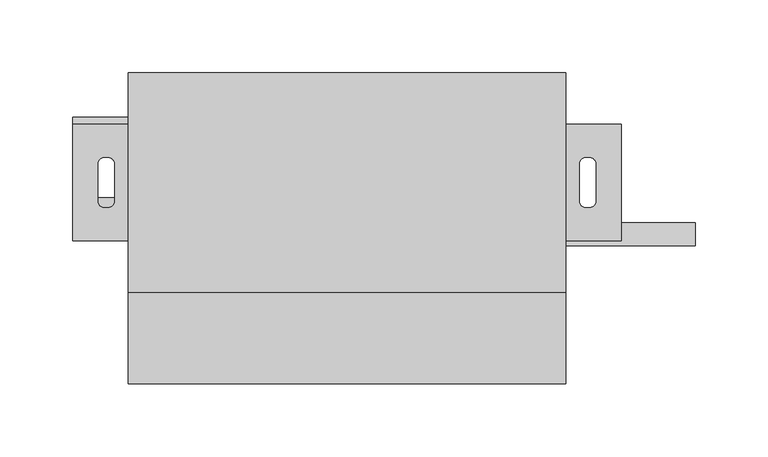
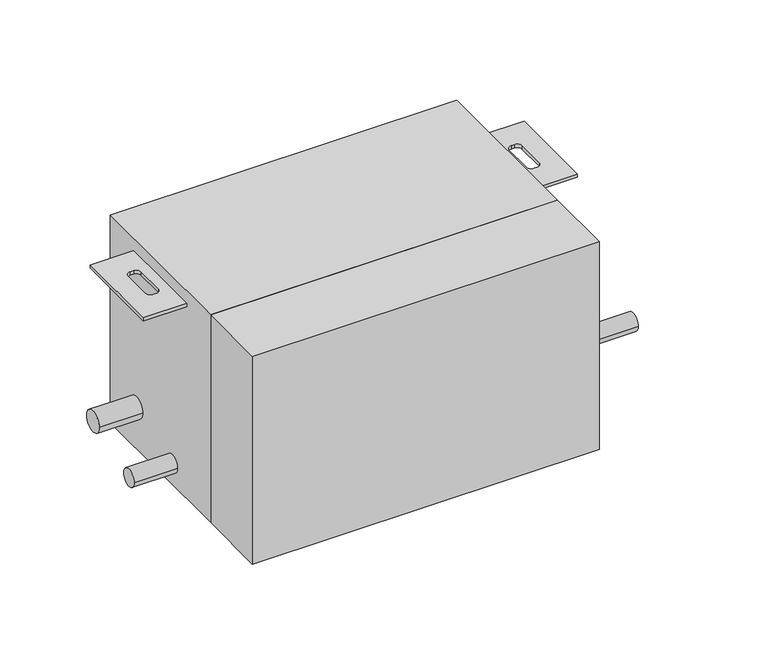
"""IFC4 building model written with IfcOpenShell, lengths in millimetres: proxy geometry."""

from ifc_helpers import new_model, si_unit, point, frame, frame_2d, origin, origin_with_axes, place, context, project, spatial, polyline, circle_curve, trimmed, segment, composite_curve, outline, extrude, source, transform, mapped, element, save


def mechanical_equipment_1cb17549(model_context):
    return source(origin(), model_context, "Body", "SweptSolid", [
        extrude(outline(polyline([(301.0, 75.5), (301.0, -75.5), (0.0, -75.5), (0.0, 75.5), (301.0, 75.5)])), origin_with_axes(), (0.0, 0.0, 1.0), 191.0),
        extrude(outline(polyline([(301.0, 40.0), (339.0, 40.0), (339.0, -40.0), (301.0, -40.0), (301.0, 40.0)]), holes=[composite_curve([segment(polyline([(317.5, 17.0), (314.5, 17.0)]), True, "CONTINUOUS"), segment(trimmed(circle_curve(frame_2d((314.5, 13.0)), 4.0), [point((314.5, 17.0))], [point((310.5, 13.0))], True, "CARTESIAN"), True, "CONTINUOUS"), segment(polyline([(310.5, 13.0), (310.5, -13.0)]), True, "CONTINUOUS"), segment(trimmed(circle_curve(frame_2d((314.5, -13.0)), 4.0), [point((310.5, -13.0))], [point((314.5, -17.0))], True, "CARTESIAN"), True, "CONTINUOUS"), segment(polyline([(314.5, -17.0), (317.5, -17.0)]), True, "CONTINUOUS"), segment(trimmed(circle_curve(frame_2d((317.5, -13.0)), 4.0), [point((317.5, -17.0))], [point((321.5, -13.0))], True, "CARTESIAN"), True, "CONTINUOUS"), segment(polyline([(321.5, -13.0), (321.5, 13.0)]), True, "CONTINUOUS"), segment(trimmed(circle_curve(frame_2d((317.5, 13.0)), 4.0), [point((321.5, 13.0))], [point((317.5, 17.0))], True, "CARTESIAN"), True, "CONTINUOUS")], self_intersect=False)]), frame((0.0, 0.0, 177.0), z_axis=(0.0, 0.0, 1.0), x_axis=(1.0, 0.0, 0.0)), (0.0, 0.0, 1.0), 3.0),
        extrude(outline(polyline([(-38.0, 40.0), (0.0, 40.0), (0.0, -40.0), (-38.0, -40.0), (-38.0, 40.0)]), holes=[composite_curve([segment(trimmed(circle_curve(frame_2d((-16.5, 13.0)), 4.0), [point((-16.5, 17.0))], [point((-20.5, 13.0))], True, "CARTESIAN"), True, "CONTINUOUS"), segment(polyline([(-20.5, 13.0), (-20.5, -13.0)]), True, "CONTINUOUS"), segment(trimmed(circle_curve(frame_2d((-16.5, -13.0)), 4.0), [point((-20.5, -13.0))], [point((-16.5, -17.0))], True, "CARTESIAN"), True, "CONTINUOUS"), segment(polyline([(-16.5, -17.0), (-13.5, -17.0)]), True, "CONTINUOUS"), segment(trimmed(circle_curve(frame_2d((-13.5, -13.0)), 4.0), [point((-13.5, -17.0))], [point((-9.5, -13.0))], True, "CARTESIAN"), True, "CONTINUOUS"), segment(polyline([(-9.5, -13.0), (-9.5, 13.0)]), True, "CONTINUOUS"), segment(trimmed(circle_curve(frame_2d((-13.5, 13.0)), 4.0), [point((-9.5, 13.0))], [point((-13.5, 17.0))], True, "CARTESIAN"), True, "CONTINUOUS"), segment(polyline([(-13.5, 17.0), (-16.5, 17.0)]), True, "CONTINUOUS")], self_intersect=False)]), frame((0.0, 0.0, 177.0), z_axis=(0.0, 0.0, 1.0), x_axis=(1.0, 0.0, 0.0)), (0.0, 0.0, 1.0), 3.0),
        extrude(outline(composite_curve([segment(trimmed(circle_curve(frame_2d((35.5, 39.0)), 9.525), [point((25.975, 39.0))], [point((45.025, 39.0))], False, "CARTESIAN"), True, "CONTINUOUS"), segment(trimmed(circle_curve(frame_2d((35.5, 39.0)), 9.525), [point((45.025, 39.0))], [point((25.975, 39.0))], False, "CARTESIAN"), True, "CONTINUOUS")], self_intersect=False)), frame((-38.0, 0.0, 0.0), z_axis=(1.0, 0.0, 0.0), x_axis=(0.0, 1.0, 0.0)), (0.0, 0.0, 1.0), 38.0),
        extrude(outline(composite_curve([segment(trimmed(circle_curve(frame_2d((-18.5, 20.0)), 7.94), [point((-26.44, 20.0))], [point((-10.56, 20.0))], False, "CARTESIAN"), True, "CONTINUOUS"), segment(trimmed(circle_curve(frame_2d((-18.5, 20.0)), 7.94), [point((-10.56, 20.0))], [point((-26.44, 20.0))], False, "CARTESIAN"), True, "CONTINUOUS")], self_intersect=False)), frame((-38.0, 0.0, 0.0), z_axis=(1.0, 0.0, 0.0), x_axis=(0.0, 1.0, 0.0)), (0.0, 0.0, 1.0), 38.0),
        extrude(outline(composite_curve([segment(trimmed(circle_curve(frame_2d((-35.5, 24.0)), 7.94), [point((-43.44, 24.0))], [point((-27.56, 24.0))], False, "CARTESIAN"), True, "CONTINUOUS"), segment(trimmed(circle_curve(frame_2d((-35.5, 24.0)), 7.94), [point((-27.56, 24.0))], [point((-43.44, 24.0))], False, "CARTESIAN"), True, "CONTINUOUS")], self_intersect=False)), frame((301.0, 0.0, 0.0), z_axis=(1.0, 0.0, 0.0), x_axis=(0.0, 1.0, 0.0)), (0.0, 0.0, 1.0), 89.0),
        extrude(outline(polyline([(301.0, -138.5), (0.0, -138.5), (0.0, -75.5), (301.0, -75.5), (301.0, -138.5)])), origin_with_axes(), (0.0, 0.0, 1.0), 191.0),
    ])


if __name__ == "__main__":
    model = new_model("IFC4")
    model_context = context("Model", 3, world=origin())
    ifc_project = project(units=[si_unit("LENGTHUNIT", "METRE", prefix="MILLI")], contexts=[model_context])
    site = spatial("IfcSite", under=ifc_project)
    building = spatial("IfcBuilding", under=site)
    placement = place(None, origin())
    mechanical_equipment_shape = mechanical_equipment_1cb17549(model_context)
    element("IfcBuildingElementProxy", 1, Name="Mechanical Equipment", at=placement, inside=building, context=model_context, shape_type="MappedRepresentation", body=[
        mapped(mechanical_equipment_shape, transform((0.0, 0.0, 0.0), x_axis=(1.0, 0.0, 0.0), y_axis=(0.0, 1.0, 0.0), z_axis=(0.0, 0.0, 1.0))),
    ])
    save(model, "model.ifc")
